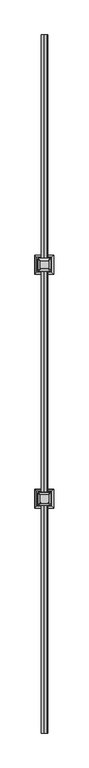
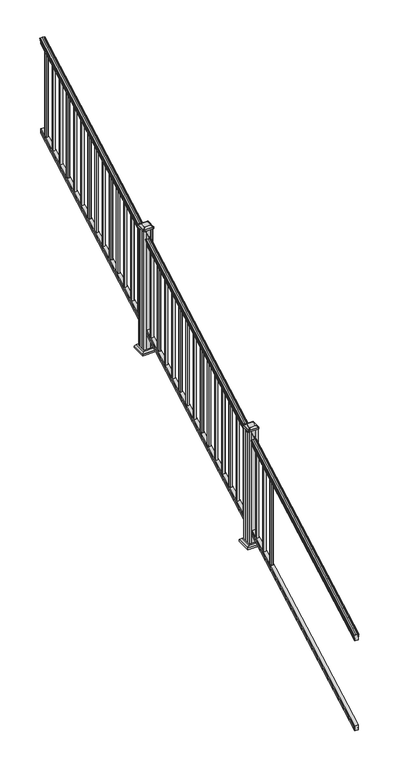
"""IFC4 building model written with IfcOpenShell, lengths in millimetres: railing geometry."""

from ifc_helpers import new_model, si_unit, point, frame, frame_2d, origin, place, context, project, spatial, polyline, circle_curve, ellipse_curve, trimmed, segment, composite_curve, outline, extrude, faceted_brep, source, transform, mapped, element, save
from ifc_brep_helpers import plane_surface, cylinder_surface, revolved_surface, extruded_surface, advanced_brep


def railing_df4a268f(model_context):
    return source(origin(), model_context, "Body", "SolidModel", [
        advanced_brep(
        [(6995.9614371, 1778.9805319, 1111.1933), (6998.5352659, 1778.9805319, 1111.1933), (6998.5352659, 1778.9805319, 1099.0017677), (6997.5192659, 1778.9805319, 1097.8395054), (6997.5192659, 1778.9805319, 1083.7333333), (7029.2692659, 1778.9805319, 1083.7333333), (7029.2692659, 1778.9805319, 1098.0200397), (7028.2532659, 1778.9805319, 1099.182302), (7028.2532659, 1778.9805319, 1111.1933), (7030.8270946, 1778.9805319, 1111.1933), (7030.8270946, 1778.9805319, 1113.3531886), (7031.9572809, 1778.9805319, 1115.140347), (7031.9572809, 1778.9805319, 1123.3974153), (7031.3080245, 1778.9805319, 1126.1811654), (7033.8080245, 1778.9805319, 1131.1346527), (7035.217367, 1778.9805319, 1133.0560334), (7035.619266, 1778.9805319, 1134.3198045), (7035.6192659, 1778.9805319, 1135.8530343), (7034.0658186, 1778.9805319, 1137.6301141), (7013.3942659, 1778.9805319, 1137.6301141), (6992.7227131, 1778.9805319, 1137.6301141), (6991.1692659, 1778.9805319, 1135.8530343), (6991.1692659, 1778.9805319, 1134.3198045), (6991.5711648, 1778.9805319, 1133.0560334), (6992.9805072, 1778.9805319, 1131.1346527), (6995.4805072, 1778.9805319, 1126.1811654), (6994.8312508, 1778.9805319, 1123.3974153), (6994.8312508, 1778.9805319, 1115.140347), (6995.9614371, 1778.9805319, 1113.3531886), (6995.9614371, 6655.7805319, 3820.5266334), (6995.9614371, 6655.7805319, 3822.6865219), (6994.8312508, 6655.7805319, 3824.4736803), (6994.8312508, 6655.7805319, 3832.7307486), (6995.4805072, 6655.7805319, 3835.5144987), (6992.9805072, 6655.7805319, 3840.4679861), (6991.5711648, 6655.7805319, 3842.3893668), (6991.1692658, 6655.7805319, 3843.6531378), (6991.1692659, 6655.7805319, 3845.1863676), (6992.7227131, 6655.7805319, 3846.9634474), (7013.3942659, 6655.7805319, 3846.9634474), (7034.0658186, 6655.7805319, 3846.9634474), (7035.6192659, 6655.7805319, 3845.1863676), (7035.6192659, 6655.7805319, 3843.6531378), (7035.217367, 6655.7805319, 3842.3893668), (7033.8080245, 6655.7805319, 3840.4679861), (7031.3080245, 6655.7805319, 3835.5144987), (7031.9572809, 6655.7805319, 3832.7307486), (7031.9572809, 6655.7805319, 3824.4736803), (7030.8270946, 6655.7805319, 3822.6865219), (7030.8270946, 6655.7805319, 3820.5266334), (7028.2532659, 6655.7805319, 3820.5266334), (7028.2532659, 6655.7805319, 3808.5156353), (7029.2692659, 6655.7805319, 3807.3533731), (7029.2692659, 6655.7805319, 3793.0666667), (6997.5192659, 6655.7805319, 3793.0666667), (6997.5192659, 6655.7805319, 3807.1728388), (6998.5352659, 6655.7805319, 3808.335101), (6998.5352659, 6655.7805319, 3820.5266334)],
        [
            (0, 1, ellipse_curve(frame((6997.2483515, 1778.9805319, 1111.1933), z_axis=(0.0, -1.0, 0.0), x_axis=(0.0, 0.0, -1.0)), 1.4721772, 1.2869144)),
            (1, 2),
            (2, 3),
            (3, 4),
            (4, 5),
            (5, 6),
            (6, 7),
            (7, 8),
            (8, 9, ellipse_curve(frame((7029.5401802, 1778.9805319, 1111.1933), z_axis=(0.0, -1.0, 0.0), x_axis=(0.0, 0.0, -1.0)), 1.4721772, 1.2869144)),
            (9, 10),
            (10, 11, ellipse_curve(frame((7024.5123413, 1778.9805319, 1119.9403628), z_axis=(0.0, -1.0, 0.0), x_axis=(0.0, 0.0, -1.0)), 9.7762168, 8.545951)),
            (11, 12, ellipse_curve(frame((7024.9494043, 1778.9805319, 1119.2688811), z_axis=(0.0, -1.0, 0.0), x_axis=(0.0, 0.0, -1.0)), 9.0173521, 7.882584)),
            (12, 13, ellipse_curve(frame((7035.4627284, 1778.9805319, 1125.9582895), z_axis=(0.0, 1.0, 0.0), x_axis=(0.0, 0.0, 1.0)), 4.7580334, 4.1592695)),
            (13, 14, ellipse_curve(frame((7036.750035, 1778.9805319, 1125.8892329), z_axis=(0.0, 1.0, 0.0), x_axis=(0.0, 0.0, 1.0)), 6.2322774, 5.4479907)),
            (14, 15, ellipse_curve(frame((7035.5168765, 1778.9805319, 1131.1314345), z_axis=(0.0, 1.0, 0.0), x_axis=(0.0, 0.0, 1.0)), 1.9548591, 1.7088543)),
            (15, 16, ellipse_curve(frame((7033.8999764, 1778.9805319, 1134.3198045), z_axis=(0.0, -1.0, 0.0), x_axis=(0.0, 0.0, -1.0)), 1.9667965, 1.7192895)),
            (16, 17),
            (17, 18, ellipse_curve(frame((7034.0658186, 1778.9805319, 1135.8530343), z_axis=(0.0, -1.0, 0.0), x_axis=(0.0, 0.0, -1.0)), 1.7770798, 1.5534472)),
            (18, 19),
            (19, 20),
            (20, 21, ellipse_curve(frame((6992.7227131, 1778.9805319, 1135.8530343), z_axis=(0.0, -1.0, 0.0), x_axis=(0.0, 0.0, -1.0)), 1.7770798, 1.5534472)),
            (21, 22),
            (22, 23, ellipse_curve(frame((6992.8885553, 1778.9805319, 1134.3198045), z_axis=(0.0, -1.0, 0.0), x_axis=(0.0, 0.0, -1.0)), 1.9667965, 1.7192895)),
            (23, 24, ellipse_curve(frame((6991.2716552, 1778.9805319, 1131.1314345), z_axis=(0.0, 1.0, 0.0), x_axis=(0.0, 0.0, 1.0)), 1.9548591, 1.7088543)),
            (24, 25, ellipse_curve(frame((6990.0384968, 1778.9805319, 1125.8892329), z_axis=(0.0, 1.0, 0.0), x_axis=(0.0, 0.0, 1.0)), 6.2322774, 5.4479907)),
            (25, 26, ellipse_curve(frame((6991.3258033, 1778.9805319, 1125.9582895), z_axis=(0.0, 1.0, 0.0), x_axis=(0.0, 0.0, 1.0)), 4.7580334, 4.1592695)),
            (26, 27, ellipse_curve(frame((7001.8391275, 1778.9805319, 1119.2688811), z_axis=(0.0, -1.0, 0.0), x_axis=(0.0, 0.0, -1.0)), 9.0173521, 7.882584)),
            (27, 28, ellipse_curve(frame((7002.2761904, 1778.9805319, 1119.9403628), z_axis=(0.0, -1.0, 0.0), x_axis=(0.0, 0.0, -1.0)), 9.7762168, 8.545951)),
            (28, 0),
            (29, 30),
            (30, 31, ellipse_curve(frame((7002.2761904, 6655.7805319, 3829.2736961), z_axis=(0.0, 1.0, 0.0), x_axis=(0.0, 0.0, -1.0)), 9.7762168, 8.545951)),
            (31, 32, ellipse_curve(frame((7001.8391275, 6655.7805319, 3828.6022145), z_axis=(0.0, 1.0, 0.0), x_axis=(0.0, 0.0, -1.0)), 9.0173521, 7.882584)),
            (32, 33, ellipse_curve(frame((6991.3258033, 6655.7805319, 3835.2916228), z_axis=(0.0, -1.0, 0.0), x_axis=(0.0, 0.0, 1.0)), 4.7580334, 4.1592695)),
            (33, 34, ellipse_curve(frame((6990.0384968, 6655.7805319, 3835.2225663), z_axis=(0.0, -1.0, 0.0), x_axis=(0.0, 0.0, 1.0)), 6.2322774, 5.4479907)),
            (34, 35, ellipse_curve(frame((6991.2716552, 6655.7805319, 3840.4647678), z_axis=(0.0, -1.0, 0.0), x_axis=(0.0, 0.0, 1.0)), 1.9548591, 1.7088543)),
            (35, 36, ellipse_curve(frame((6992.8885553, 6655.7805319, 3843.6531378), z_axis=(0.0, 1.0, 0.0), x_axis=(0.0, 0.0, -1.0)), 1.9667965, 1.7192895)),
            (36, 37),
            (37, 38, ellipse_curve(frame((6992.7227131, 6655.7805319, 3845.1863676), z_axis=(0.0, 1.0, 0.0), x_axis=(0.0, 0.0, -1.0)), 1.7770798, 1.5534472)),
            (38, 39),
            (39, 40),
            (40, 41, ellipse_curve(frame((7034.0658186, 6655.7805319, 3845.1863676), z_axis=(0.0, 1.0, 0.0), x_axis=(0.0, 0.0, -1.0)), 1.7770798, 1.5534472)),
            (41, 42),
            (42, 43, ellipse_curve(frame((7033.8999764, 6655.7805319, 3843.6531378), z_axis=(0.0, 1.0, 0.0), x_axis=(0.0, 0.0, -1.0)), 1.9667965, 1.7192895)),
            (43, 44, ellipse_curve(frame((7035.5168765, 6655.7805319, 3840.4647678), z_axis=(0.0, -1.0, 0.0), x_axis=(0.0, 0.0, 1.0)), 1.9548591, 1.7088543)),
            (44, 45, ellipse_curve(frame((7036.750035, 6655.7805319, 3835.2225663), z_axis=(0.0, -1.0, 0.0), x_axis=(0.0, 0.0, 1.0)), 6.2322774, 5.4479907)),
            (45, 46, ellipse_curve(frame((7035.4627284, 6655.7805319, 3835.2916228), z_axis=(0.0, -1.0, 0.0), x_axis=(0.0, 0.0, 1.0)), 4.7580334, 4.1592695)),
            (46, 47, ellipse_curve(frame((7024.9494043, 6655.7805319, 3828.6022145), z_axis=(0.0, 1.0, 0.0), x_axis=(0.0, 0.0, -1.0)), 9.0173521, 7.882584)),
            (47, 48, ellipse_curve(frame((7024.5123413, 6655.7805319, 3829.2736961), z_axis=(0.0, 1.0, 0.0), x_axis=(0.0, 0.0, -1.0)), 9.7762168, 8.545951)),
            (48, 49),
            (49, 50, ellipse_curve(frame((7029.5401802, 6655.7805319, 3820.5266334), z_axis=(0.0, 1.0, 0.0), x_axis=(0.0, 0.0, -1.0)), 1.4721772, 1.2869144)),
            (50, 51),
            (51, 52),
            (52, 53),
            (53, 54),
            (54, 55),
            (55, 56),
            (56, 57),
            (57, 29, ellipse_curve(frame((6997.2483515, 6655.7805319, 3820.5266334), z_axis=(0.0, 1.0, 0.0), x_axis=(0.0, 0.0, -1.0)), 1.4721772, 1.2869144)),
            (0, 29),
            (57, 1),
            (56, 2),
            (55, 3),
            (54, 4),
            (53, 5),
            (52, 6),
            (51, 7),
            (50, 8),
            (49, 9),
            (48, 10),
            (47, 11),
            (46, 12),
            (45, 13),
            (44, 14),
            (43, 15),
            (42, 16),
            (41, 17),
            (40, 18),
            (39, 19),
            (38, 20),
            (37, 21),
            (36, 22),
            (35, 23),
            (34, 24),
            (33, 25),
            (32, 26),
            (31, 27),
            (30, 28),
        ],
        [
            plane_surface(frame((7013.3942659, 1778.9805319, 1083.7333333), z_axis=(0.0, -1.0, 0.0), x_axis=(0.0, 0.0, 1.0))),
            plane_surface(frame((7013.3942659, 6655.7805319, 3793.0666667), z_axis=(0.0, 1.0, 0.0), x_axis=(0.0, 0.0, 1.0))),
            cylinder_surface(frame((6997.2483515, 1767.3229989, 1104.7168928), z_axis=(0.0, -0.8741572761215699, -0.4856429311785742), x_axis=(1.0, 0.0, 0.0)), 1.2869144),
            plane_surface(frame((6998.5352659, 1778.9805319, 1111.1933), z_axis=(-1.0, 0.0, 0.0), x_axis=(0.0, 0.87415727612157, 0.4856429311785742))),
            plane_surface(frame((6998.5352659, 1778.9805319, 1099.0017677), z_axis=(-0.7071067811865404, -0.34340140987168444, 0.6181225377691303), x_axis=(0.0, 0.87415727612157, 0.4856429311785743))),
            plane_surface(frame((6997.5192659, 1778.9805319, 1097.8395054), z_axis=(-1.0000000000000002, 0.0, 0.0), x_axis=(0.0, 0.8741572761215699, 0.4856429311785744))),
            plane_surface(frame((6997.5192659, 1778.9805319, 1083.7333333), z_axis=(0.0, 0.4856429311785743, -0.87415727612157), x_axis=(0.0, 0.87415727612157, 0.4856429311785743))),
            plane_surface(frame((7029.2692659, 1778.9805319, 1083.7333333), z_axis=(1.0000000000000002, 0.0, 0.0), x_axis=(0.0, 0.87415727612157, 0.4856429311785743))),
            plane_surface(frame((7029.2692659, 1778.9805319, 1098.0200397), z_axis=(0.7071067811865428, -0.34340140987168494, 0.6181225377691273), x_axis=(0.0, 0.87415727612157, 0.4856429311785743))),
            plane_surface(frame((7028.2532659, 1778.9805319, 1099.182302), z_axis=(1.0000000000000002, 0.0, 0.0), x_axis=(0.0, 0.87415727612157, 0.4856429311785743))),
            cylinder_surface(frame((7029.5401802, 1767.3229989, 1104.7168928), z_axis=(0.0, -0.8741572761215699, -0.4856429311785742), x_axis=(-1.0, 0.0, 0.0)), 1.2869144),
            plane_surface(frame((7030.8270946, 1778.9805319, 1111.1933), z_axis=(1.0000000000000002, 0.0, 0.0), x_axis=(0.0, 0.87415727612157, 0.4856429311785743))),
            cylinder_surface(frame((7024.5123413, 1763.6096232, 1111.4009691), z_axis=(0.0, -0.8741572761215699, -0.4856429311785742), x_axis=(-1.0, 0.0, 0.0)), 8.545951),
            cylinder_surface(frame((7024.9494043, 1763.8946861, 1110.8878557), z_axis=(0.0, -0.8741572761215699, -0.4856429311785742), x_axis=(-1.0, 0.0, 0.0)), 7.882584),
            revolved_surface(polyline([(7031.3034589, 6657.80045174452, 3836.413800479864), (7031.3034589, 1776.9606120792462, 1124.8361117773575)]), (7035.4627284, 1761.054843, 1115.9995734), (0.0, 0.8741572761215699, 0.4856429311785742)),
            revolved_surface(polyline([(7031.3020443, 6658.426310041689, 3836.6924430449585), (7031.3020443, 1776.3347537301895, 1124.4193562056596)]), (7036.750035, 1761.0841594, 1115.9468038), (0.0, 0.8741572761215699, 0.4856429311785742)),
            revolved_surface(polyline([(7033.8080222, 6656.610424923765, 3840.925819457223), (7033.8080222, 1778.1506389094347, 1130.6703827830177)]), (7035.5168765, 1758.8586965, 1119.952637), (0.0, 0.8741572761215699, 0.4856429311785742)),
            cylinder_surface(frame((7033.8999764, 1757.5051432, 1122.389033), z_axis=(0.0, -0.8741572761215699, -0.4856429311785742), x_axis=(-1.0, 0.0, 0.0)), 1.7192895),
            plane_surface(frame((7035.6192659, 1778.9805319, 1134.3198045), z_axis=(1.0000000000000002, 0.0, 0.0), x_axis=(0.0, 0.8741572761215699, 0.4856429311785744))),
            cylinder_surface(frame((7034.0658186, 1756.8542438, 1123.560652), z_axis=(0.0, -0.8741572761215699, -0.4856429311785742), x_axis=(-1.0, 0.0, 0.0)), 1.5534472),
            plane_surface(frame((7034.0658186, 1778.9805319, 1137.6301141), z_axis=(0.0, -0.4856429311785743, 0.87415727612157), x_axis=(0.0, 0.87415727612157, 0.4856429311785743))),
            plane_surface(frame((7013.3942659, 1778.9805319, 1137.6301141), z_axis=(0.0, -0.4856429311785742, 0.87415727612157), x_axis=(0.0, 0.87415727612157, 0.4856429311785742))),
            cylinder_surface(frame((6992.7227131, 1756.8542438, 1123.560652), z_axis=(0.0, -0.8741572761215699, -0.4856429311785742), x_axis=(1.0, 0.0, 0.0)), 1.5534472),
            plane_surface(frame((6991.1692659, 1778.9805319, 1135.8530343), z_axis=(-1.0000000000000002, 0.0, 0.0), x_axis=(0.0, 0.8741572761215699, 0.4856429311785744))),
            cylinder_surface(frame((6992.8885553, 1757.5051432, 1122.389033), z_axis=(0.0, -0.8741572761215699, -0.4856429311785742), x_axis=(1.0, 0.0, 0.0)), 1.7192895),
            revolved_surface(polyline([(6992.9805095, 6656.610424923765, 3840.925819457223), (6992.9805095, 1778.1506389094347, 1130.6703827830177)]), (6991.2716552, 1758.8586965, 1119.952637), (0.0, 0.8741572761215699, 0.4856429311785742)),
            revolved_surface(polyline([(6995.4864875, 6658.426310041689, 3836.6924430449585), (6995.4864875, 1776.3347537301895, 1124.4193562056596)]), (6990.0384968, 1761.0841594, 1115.9468038), (0.0, 0.8741572761215699, 0.4856429311785742)),
            revolved_surface(polyline([(6995.4850728, 6657.80045174452, 3836.413800479864), (6995.4850728, 1776.9606120792462, 1124.8361117773575)]), (6991.3258033, 1761.054843, 1115.9995734), (0.0, 0.8741572761215699, 0.4856429311785742)),
            cylinder_surface(frame((7001.8391275, 1763.8946861, 1110.8878557), z_axis=(0.0, -0.8741572761215699, -0.4856429311785742), x_axis=(1.0, 0.0, 0.0)), 7.882584),
            cylinder_surface(frame((7002.2761904, 1763.6096232, 1111.4009691), z_axis=(0.0, -0.8741572761215699, -0.4856429311785742), x_axis=(1.0, 0.0, 0.0)), 8.545951),
            plane_surface(frame((6995.9614371, 1778.9805319, 1113.3531886), z_axis=(-1.0000000000000002, 0.0, 0.0), x_axis=(0.0, 0.8741572761215699, 0.4856429311785744))),
        ],
        [
            (0, [[1, 2, 3, 4, 5, 6, 7, 8, 9, 10, 11, 12, 13, 14, 15, 16, 17, 18, 19, 20, 21, 22, 23, 24, 25, 26, 27, 28, 29]]),
            (1, [[30, 31, 32, 33, 34, 35, 36, 37, 38, 39, 40, 41, 42, 43, 44, 45, 46, 47, 48, 49, 50, 51, 52, 53, 54, 55, 56, 57, 58]]),
            (2, [[-1, 59, -58, 60]]),
            (3, [[-2, -60, -57, 61]]),
            (4, [[-3, -61, -56, 62]]),
            (5, [[-4, -62, -55, 63]]),
            (6, [[-5, -63, -54, 64]]),
            (7, [[-6, -64, -53, 65]]),
            (8, [[-7, -65, -52, 66]]),
            (9, [[-8, -66, -51, 67]]),
            (10, [[-9, -67, -50, 68]]),
            (11, [[-10, -68, -49, 69]]),
            (12, [[-11, -69, -48, 70]]),
            (13, [[-12, -70, -47, 71]]),
            (14, [[-13, -71, -46, 72]]),
            (15, [[-14, -72, -45, 73]]),
            (16, [[-15, -73, -44, 74]]),
            (17, [[-16, -74, -43, 75]]),
            (18, [[-17, -75, -42, 76]]),
            (19, [[-18, -76, -41, 77]]),
            (20, [[-19, -77, -40, 78]]),
            (21, [[-20, -78, -39, 79]]),
            (22, [[-21, -79, -38, 80]]),
            (23, [[-22, -80, -37, 81]]),
            (24, [[-23, -81, -36, 82]]),
            (25, [[-24, -82, -35, 83]]),
            (26, [[-25, -83, -34, 84]]),
            (27, [[-26, -84, -33, 85]]),
            (28, [[-27, -85, -32, 86]]),
            (29, [[-28, -86, -31, 87]]),
            (30, [[-29, -87, -30, -59]]),
        ],
    ),
        faceted_brep([(6997.481779, 1778.9805319, 247.1948195), (6997.481779, 1778.9805319, 232.8333333), (7029.231779, 1778.9805319, 232.8333333), (7029.231779, 1778.9805319, 247.1757762), (7028.215779, 1778.9805319, 248.7181503), (7028.215779, 1778.9805319, 260.5143074), (7029.231779, 1778.9805319, 262.0566814), (7029.231779, 1778.9805319, 276.4134523), (6997.481779, 1778.9805319, 276.4134523), (6997.481779, 1778.9805319, 262.0757247), (6998.497779, 1778.9805319, 260.5333506), (6998.497779, 1778.9805319, 248.6824473), (6997.481779, 6655.7805319, 2956.5281528), (6998.497779, 6655.7805319, 2958.0157807), (6998.497779, 6655.7805319, 2969.8666839), (6997.481779, 6655.7805319, 2971.409058), (6997.481779, 6655.7805319, 2985.7467856), (7029.231779, 6655.7805319, 2985.7467856), (7029.231779, 6655.7805319, 2971.3900148), (7028.215779, 6655.7805319, 2969.8476407), (7028.215779, 6655.7805319, 2958.0514837), (7029.231779, 6655.7805319, 2956.5091096), (7029.231779, 6655.7805319, 2942.1666667), (6997.481779, 6655.7805319, 2942.1666667)], [[[0, 1, 2, 3, 4, 5, 6, 7, 8, 9, 10, 11]], [[12, 13, 14, 15, 16, 17, 18, 19, 20, 21, 22, 23]], [[1, 0, 12, 23]], [[2, 1, 23, 22]], [[3, 2, 22, 21]], [[4, 3, 21, 20]], [[5, 4, 20, 19]], [[6, 5, 19, 18]], [[7, 6, 18, 17]], [[8, 7, 17, 16]], [[9, 8, 16, 15]], [[10, 9, 15, 14]], [[11, 10, 14, 13]], [[0, 11, 13, 12]]]),
        extrude(outline(polyline([(7003.8692659, 6580.5727194), (7003.8692659, 6599.6227194), (7022.9192659, 6599.6227194), (7022.9192659, 6580.5727194), (7003.8692659, 6580.5727194)]), holes=[polyline([(7004.2661409, 6580.9695944), (7022.5223909, 6580.9695944), (7022.5223909, 6599.2258444), (7004.2661409, 6599.2258444), (7004.2661409, 6580.9695944)])]), frame((0.0, 0.0, 2943.7720933), z_axis=(0.0, 0.0, 1.0), x_axis=(1.0, 0.0, 0.0)), (0.0, 0.0, 1.0), 812.8041219),
        extrude(outline(polyline([(7003.8692659, 6469.4477194), (7003.8692659, 6488.4977194), (7022.9192659, 6488.4977194), (7022.9192659, 6469.4477194), (7003.8692659, 6469.4477194)]), holes=[polyline([(7004.2661409, 6469.8445944), (7022.5223909, 6469.8445944), (7022.5223909, 6488.1008444), (7004.2661409, 6488.1008444), (7004.2661409, 6469.8445944)])]), frame((0.0, 0.0, 2882.0359822), z_axis=(0.0, 0.0, 1.0), x_axis=(1.0, 0.0, 0.0)), (0.0, 0.0, 1.0), 812.8041219),
        extrude(outline(polyline([(7003.8692659, 6358.3227194), (7003.8692659, 6377.3727194), (7022.9192659, 6377.3727194), (7022.9192659, 6358.3227194), (7003.8692659, 6358.3227194)]), holes=[polyline([(7004.2661409, 6358.7195944), (7022.5223909, 6358.7195944), (7022.5223909, 6376.9758444), (7004.2661409, 6376.9758444), (7004.2661409, 6358.7195944)])]), frame((0.0, 0.0, 2820.2998711), z_axis=(0.0, 0.0, 1.0), x_axis=(1.0, 0.0, 0.0)), (0.0, 0.0, 1.0), 812.8041219),
        extrude(outline(polyline([(7003.8692659, 6247.1977194), (7003.8692659, 6266.2477194), (7022.9192659, 6266.2477194), (7022.9192659, 6247.1977194), (7003.8692659, 6247.1977194)]), holes=[polyline([(7004.2661409, 6247.5945944), (7022.5223909, 6247.5945944), (7022.5223909, 6265.8508444), (7004.2661409, 6265.8508444), (7004.2661409, 6247.5945944)])]), frame((0.0, 0.0, 2758.56376), z_axis=(0.0, 0.0, 1.0), x_axis=(1.0, 0.0, 0.0)), (0.0, 0.0, 1.0), 812.8041219),
        extrude(outline(polyline([(7003.8692659, 6136.0727194), (7003.8692659, 6155.1227194), (7022.9192659, 6155.1227194), (7022.9192659, 6136.0727194), (7003.8692659, 6136.0727194)]), holes=[polyline([(7004.2661409, 6136.4695944), (7022.5223909, 6136.4695944), (7022.5223909, 6154.7258444), (7004.2661409, 6154.7258444), (7004.2661409, 6136.4695944)])]), frame((0.0, 0.0, 2696.8276489), z_axis=(0.0, 0.0, 1.0), x_axis=(1.0, 0.0, 0.0)), (0.0, 0.0, 1.0), 812.8041219),
        extrude(outline(polyline([(7003.8692659, 6024.9477194), (7003.8692659, 6043.9977194), (7022.9192659, 6043.9977194), (7022.9192659, 6024.9477194), (7003.8692659, 6024.9477194)]), holes=[polyline([(7004.2661409, 6025.3445944), (7022.5223909, 6025.3445944), (7022.5223909, 6043.6008444), (7004.2661409, 6043.6008444), (7004.2661409, 6025.3445944)])]), frame((0.0, 0.0, 2635.0915378), z_axis=(0.0, 0.0, 1.0), x_axis=(1.0, 0.0, 0.0)), (0.0, 0.0, 1.0), 812.8041219),
        extrude(outline(polyline([(7003.8692659, 5913.8227194), (7003.8692659, 5932.8727194), (7022.9192659, 5932.8727194), (7022.9192659, 5913.8227194), (7003.8692659, 5913.8227194)]), holes=[polyline([(7004.2661409, 5914.2195944), (7022.5223909, 5914.2195944), (7022.5223909, 5932.4758444), (7004.2661409, 5932.4758444), (7004.2661409, 5914.2195944)])]), frame((0.0, 0.0, 2573.3554267), z_axis=(0.0, 0.0, 1.0), x_axis=(1.0, 0.0, 0.0)), (0.0, 0.0, 1.0), 812.8041219),
        extrude(outline(polyline([(7003.8692659, 5802.6977194), (7003.8692659, 5821.7477194), (7022.9192659, 5821.7477194), (7022.9192659, 5802.6977194), (7003.8692659, 5802.6977194)]), holes=[polyline([(7004.2661409, 5803.0945944), (7022.5223909, 5803.0945944), (7022.5223909, 5821.3508444), (7004.2661409, 5821.3508444), (7004.2661409, 5803.0945944)])]), frame((0.0, 0.0, 2511.6193156), z_axis=(0.0, 0.0, 1.0), x_axis=(1.0, 0.0, 0.0)), (0.0, 0.0, 1.0), 812.8041219),
        extrude(outline(polyline([(7003.8692659, 5691.5727194), (7003.8692659, 5710.6227194), (7022.9192659, 5710.6227194), (7022.9192659, 5691.5727194), (7003.8692659, 5691.5727194)]), holes=[polyline([(7004.2661409, 5691.9695944), (7022.5223909, 5691.9695944), (7022.5223909, 5710.2258444), (7004.2661409, 5710.2258444), (7004.2661409, 5691.9695944)])]), frame((0.0, 0.0, 2449.8832045), z_axis=(0.0, 0.0, 1.0), x_axis=(1.0, 0.0, 0.0)), (0.0, 0.0, 1.0), 812.8041219),
        extrude(outline(polyline([(7003.8692659, 5580.4477194), (7003.8692659, 5599.4977194), (7022.9192659, 5599.4977194), (7022.9192659, 5580.4477194), (7003.8692659, 5580.4477194)]), holes=[polyline([(7004.2661409, 5580.8445944), (7022.5223909, 5580.8445944), (7022.5223909, 5599.1008444), (7004.2661409, 5599.1008444), (7004.2661409, 5580.8445944)])]), frame((0.0, 0.0, 2388.1470933), z_axis=(0.0, 0.0, 1.0), x_axis=(1.0, 0.0, 0.0)), (0.0, 0.0, 1.0), 812.8041219),
        extrude(outline(polyline([(7003.8692659, 5469.3227194), (7003.8692659, 5488.3727194), (7022.9192659, 5488.3727194), (7022.9192659, 5469.3227194), (7003.8692659, 5469.3227194)]), holes=[polyline([(7004.2661409, 5469.7195944), (7022.5223909, 5469.7195944), (7022.5223909, 5487.9758444), (7004.2661409, 5487.9758444), (7004.2661409, 5469.7195944)])]), frame((0.0, 0.0, 2326.4109822), z_axis=(0.0, 0.0, 1.0), x_axis=(1.0, 0.0, 0.0)), (0.0, 0.0, 1.0), 812.8041219),
        extrude(outline(polyline([(7003.8692659, 5358.1977194), (7003.8692659, 5377.2477194), (7022.9192659, 5377.2477194), (7022.9192659, 5358.1977194), (7003.8692659, 5358.1977194)]), holes=[polyline([(7004.2661409, 5358.5945944), (7022.5223909, 5358.5945944), (7022.5223909, 5376.8508444), (7004.2661409, 5376.8508444), (7004.2661409, 5358.5945944)])]), frame((0.0, 0.0, 2264.6748711), z_axis=(0.0, 0.0, 1.0), x_axis=(1.0, 0.0, 0.0)), (0.0, 0.0, 1.0), 812.8041219),
        extrude(outline(polyline([(7003.8692659, 5247.0727194), (7003.8692659, 5266.1227194), (7022.9192659, 5266.1227194), (7022.9192659, 5247.0727194), (7003.8692659, 5247.0727194)]), holes=[polyline([(7004.2661409, 5247.4695944), (7022.5223909, 5247.4695944), (7022.5223909, 5265.7258444), (7004.2661409, 5265.7258444), (7004.2661409, 5247.4695944)])]), frame((0.0, 0.0, 2202.93876), z_axis=(0.0, 0.0, 1.0), x_axis=(1.0, 0.0, 0.0)), (0.0, 0.0, 1.0), 812.8041219),
        extrude(outline(polyline([(7003.8692659, 5135.9477194), (7003.8692659, 5154.9977194), (7022.9192659, 5154.9977194), (7022.9192659, 5135.9477194), (7003.8692659, 5135.9477194)]), holes=[polyline([(7004.2661409, 5136.3445944), (7022.5223909, 5136.3445944), (7022.5223909, 5154.6008444), (7004.2661409, 5154.6008444), (7004.2661409, 5136.3445944)])]), frame((0.0, 0.0, 2141.2026489), z_axis=(0.0, 0.0, 1.0), x_axis=(1.0, 0.0, 0.0)), (0.0, 0.0, 1.0), 812.8041219),
        faceted_brep([(6960.8083284, 4997.4383444, 1891.2416667), (7065.9802034, 4997.4383444, 1891.2416667), (7065.9802034, 5102.6102194, 1891.2416667), (6960.8083284, 5102.6102194, 1891.2416667), (6946.7688753, 4983.3988913, 1877.9066667), (6946.7688753, 5116.6496725, 1877.9066667), (7080.0196565, 5116.6496725, 1877.9066667), (7080.0196565, 4983.3988913, 1877.9066667)], [[[0, 1, 2, 3]], [[4, 5, 6, 7]], [[4, 7, 1, 0]], [[7, 6, 2, 1]], [[6, 5, 3, 2]], [[5, 4, 0, 3]]]),
        extrude(outline(polyline([(6946.7688753, 4983.3988913), (6946.7688753, 5116.6496725), (7080.0196565, 5116.6496725), (7080.0196565, 4983.3988913), (6946.7688753, 4983.3988913)])), frame((0.0, 0.0, 1862.6666667), z_axis=(0.0, 0.0, 1.0), x_axis=(1.0, 0.0, 0.0)), (0.0, 0.0, 1.0), 15.24),
        advanced_brep(
        [(7039.1911409, 5021.0524069, 3046.5191241), (7042.3661409, 5024.2274069, 3046.5191241), (7042.3661409, 5075.8211569, 3046.5191241), (7039.1911409, 5078.9961569, 3046.5191241), (6987.5973909, 5078.9961569, 3046.5191241), (6984.4223909, 5075.8211569, 3046.5191241), (6984.4223909, 5024.2274069, 3046.5191241), (6987.5973909, 5021.0524069, 3046.5191241), (7055.4630159, 5004.7805319, 3035.2161241), (6971.3255159, 5004.7805319, 3035.2161241), (6968.1505159, 5007.9555319, 3035.2161241), (6968.1505159, 5092.0930319, 3035.2161241), (6971.3255159, 5095.2680319, 3035.2161241), (7055.4630159, 5095.2680319, 3035.2161241), (7058.6380159, 5092.0930319, 3035.2161241), (7058.6380159, 5007.9555319, 3035.2161241)],
        [
            (0, 1, circle_curve(frame((7039.1911409, 5024.2274069, 3046.5191241), z_axis=(0.0, 0.0, 1.0), x_axis=(0.0, 1.0, 0.0)), 3.175)),
            (1, 2),
            (2, 3, circle_curve(frame((7039.1911409, 5075.8211569, 3046.5191241), z_axis=(0.0, 0.0, 1.0), x_axis=(0.0, 1.0, 0.0)), 3.175)),
            (3, 4),
            (4, 5, circle_curve(frame((6987.5973909, 5075.8211569, 3046.5191241), z_axis=(0.0, 0.0, 1.0), x_axis=(0.0, 1.0, 0.0)), 3.175)),
            (5, 6),
            (6, 7, circle_curve(frame((6987.5973909, 5024.2274069, 3046.5191241), z_axis=(0.0, 0.0, 1.0), x_axis=(0.0, 1.0, 0.0)), 3.175)),
            (7, 0),
            (8, 9),
            (9, 10, circle_curve(frame((6971.3255159, 5007.9555319, 3035.2161241), z_axis=(0.0, 0.0, -1.0), x_axis=(0.0, 1.0, 0.0)), 3.175)),
            (10, 11),
            (11, 12, circle_curve(frame((6971.3255159, 5092.0930319, 3035.2161241), z_axis=(0.0, 0.0, -1.0), x_axis=(0.0, 1.0, 0.0)), 3.175)),
            (12, 13),
            (13, 14, circle_curve(frame((7055.4630159, 5092.0930319, 3035.2161241), z_axis=(0.0, 0.0, -1.0), x_axis=(0.0, 1.0, 0.0)), 3.175)),
            (14, 15),
            (15, 8, circle_curve(frame((7055.4630159, 5007.9555319, 3035.2161241), z_axis=(0.0, 0.0, -1.0), x_axis=(0.0, 1.0, 0.0)), 3.175)),
            (15, 1),
            (0, 8),
            (14, 2),
            (13, 3),
            (12, 4),
            (11, 5),
            (10, 6),
            (9, 7),
        ],
        [
            plane_surface(frame((7013.3942659, 5050.0242819, 3046.5191241), z_axis=(0.0, 0.0, 1.0), x_axis=(1.0, 0.0, 0.0))),
            plane_surface(frame((7013.3942659, 5050.0242819, 3035.2161241), z_axis=(0.0, 0.0, -1.0), x_axis=(1.0, 0.0, 0.0))),
            extruded_surface(trimmed(circle_curve(frame((7055.4630159, 5007.9555319, 3035.2161241), z_axis=(0.0, 0.0, 1.0), x_axis=(0.0, 1.0, 0.0)), 3.175), [point((7055.4630159, 5004.7805319, 3035.2161241))], [point((7058.6380159, 5007.9555319, 3035.2161241))], True, "CARTESIAN"), (-16.271874999999454, 16.271874999999454, 11.303000000000338), 25.63797263886562),
            plane_surface(frame((7058.6380159, 5050.0242819, 3035.2161241), z_axis=(0.5705009161540777, 0.0, 0.8212969649690409), x_axis=(0.0, 1.0, 0.0))),
            extruded_surface(trimmed(circle_curve(frame((7055.4630159, 5092.0930319, 3035.2161241), z_axis=(0.0, 0.0, 1.0), x_axis=(0.0, 1.0, 0.0)), 3.175), [point((7058.6380159, 5092.0930319, 3035.2161241))], [point((7055.4630159, 5095.2680319, 3035.2161241))], True, "CARTESIAN"), (-16.271874999999454, -16.271875000000364, 11.303000000000338), 25.6379726388662),
            plane_surface(frame((7013.3942659, 5095.2680319, 3035.2161241), z_axis=(0.0, 0.5705009161540291, 0.8212969649690747), x_axis=(-1.0, 0.0, 0.0))),
            extruded_surface(trimmed(circle_curve(frame((6971.3255159, 5092.0930319, 3035.2161241), z_axis=(0.0, 0.0, 1.0), x_axis=(0.0, 1.0, 0.0)), 3.175), [point((6971.3255159, 5095.2680319, 3035.2161241))], [point((6968.1505159, 5092.0930319, 3035.2161241))], True, "CARTESIAN"), (16.271875000000364, -16.271875000000364, 11.303000000000338), 25.637972638866774),
            plane_surface(frame((6968.1505159, 5050.0242819, 3035.2161241), z_axis=(-0.5705009161540143, 0.0, 0.821296964969085), x_axis=(0.0, -1.0, 0.0))),
            extruded_surface(trimmed(circle_curve(frame((6971.3255159, 5007.9555319, 3035.2161241), z_axis=(0.0, 0.0, 1.0), x_axis=(0.0, 1.0, 0.0)), 3.175), [point((6968.1505159, 5007.9555319, 3035.2161241))], [point((6971.3255159, 5004.7805319, 3035.2161241))], True, "CARTESIAN"), (16.271875000000364, 16.271874999999454, 11.303000000000338), 25.6379726388662),
            plane_surface(frame((7013.3942659, 5004.7805319, 3035.2161241), z_axis=(0.0, -0.570500916154034, 0.8212969649690713), x_axis=(1.0, 0.0, 0.0))),
        ],
        [
            (0, [[1, 2, 3, 4, 5, 6, 7, 8]]),
            (1, [[9, 10, 11, 12, 13, 14, 15, 16]]),
            (2, [[-16, 17, -1, 18]]),
            (3, [[-15, 19, -2, -17]]),
            (4, [[-14, 20, -3, -19]]),
            (5, [[-13, 21, -4, -20]]),
            (6, [[-12, 22, -5, -21]]),
            (7, [[-11, 23, -6, -22]]),
            (8, [[-10, 24, -7, -23]]),
            (9, [[-9, -18, -8, -24]]),
        ],
    ),
        extrude(outline(composite_curve([segment(polyline([(7055.4630159, 5004.7805319), (6971.3255159, 5004.7805319)]), True, "CONTINUOUS"), segment(trimmed(circle_curve(frame_2d((6971.3255159, 5007.9555319)), 3.175), [point((6971.3255159, 5004.7805319))], [point((6968.1505159, 5007.9555319))], False, "CARTESIAN"), True, "CONTINUOUS"), segment(polyline([(6968.1505159, 5007.9555319), (6968.1505159, 5092.0930319)]), True, "CONTINUOUS"), segment(trimmed(circle_curve(frame_2d((6971.3255159, 5092.0930319)), 3.175), [point((6968.1505159, 5092.0930319))], [point((6971.3255159, 5095.2680319))], False, "CARTESIAN"), True, "CONTINUOUS"), segment(polyline([(6971.3255159, 5095.2680319), (7055.4630159, 5095.2680319)]), True, "CONTINUOUS"), segment(trimmed(circle_curve(frame_2d((7055.4630159, 5092.0930319)), 3.175), [point((7055.4630159, 5095.2680319))], [point((7058.6380159, 5092.0930319))], False, "CARTESIAN"), True, "CONTINUOUS"), segment(polyline([(7058.6380159, 5092.0930319), (7058.6380159, 5007.9555319)]), True, "CONTINUOUS"), segment(trimmed(circle_curve(frame_2d((7055.4630159, 5007.9555319)), 3.175), [point((7058.6380159, 5007.9555319))], [point((7055.4630159, 5004.7805319))], False, "CARTESIAN"), True, "CONTINUOUS")], self_intersect=False)), frame((0.0, 0.0, 3017.9441241), z_axis=(0.0, 0.0, 1.0), x_axis=(1.0, 0.0, 0.0)), (0.0, 0.0, 1.0), 17.272),
        extrude(outline(polyline([(7053.0817659, 5008.7492819), (7033.4602659, 5008.7492819), (7032.6982659, 5010.3367819), (6994.0902659, 5010.3367819), (6993.3282659, 5008.7492819), (6973.7067659, 5008.7492819), (6972.1192659, 5010.3367819), (6972.1192659, 5029.9582819), (6973.7067659, 5030.7202819), (6973.7067659, 5069.3282819), (6972.1192659, 5070.0902819), (6972.1192659, 5089.7117819), (6973.7067659, 5091.2992819), (6993.3282659, 5091.2992819), (6994.0902659, 5089.7117819), (7032.6982659, 5089.7117819), (7033.4602659, 5091.2992819), (7053.0817659, 5091.2992819), (7054.6692659, 5089.7117819), (7054.6692659, 5070.0902819), (7053.0817659, 5069.3282819), (7053.0817659, 5030.7202819), (7054.6692659, 5029.9582819), (7054.6692659, 5010.3367819), (7053.0817659, 5008.7492819)])), frame((0.0, 0.0, 1862.6666667), z_axis=(0.0, 0.0, 1.0), x_axis=(1.0, 0.0, 0.0)), (0.0, 0.0, 1.0), 1155.2774575),
        extrude(outline(polyline([(7003.8692659, 4945.0508444), (7003.8692659, 4964.1008444), (7022.9192659, 4964.1008444), (7022.9192659, 4945.0508444), (7003.8692659, 4945.0508444)]), holes=[polyline([(7004.2661409, 4945.4477194), (7022.5223909, 4945.4477194), (7022.5223909, 4963.7039694), (7004.2661409, 4963.7039694), (7004.2661409, 4945.4477194)])]), frame((0.0, 0.0, 2035.1488295), z_axis=(0.0, 0.0, 1.0), x_axis=(1.0, 0.0, 0.0)), (0.0, 0.0, 1.0), 812.8041219),
        extrude(outline(polyline([(7003.8692659, 4833.9258444), (7003.8692659, 4852.9758444), (7022.9192659, 4852.9758444), (7022.9192659, 4833.9258444), (7003.8692659, 4833.9258444)]), holes=[polyline([(7004.2661409, 4834.3227194), (7022.5223909, 4834.3227194), (7022.5223909, 4852.5789694), (7004.2661409, 4852.5789694), (7004.2661409, 4834.3227194)])]), frame((0.0, 0.0, 1973.4127183), z_axis=(0.0, 0.0, 1.0), x_axis=(1.0, 0.0, 0.0)), (0.0, 0.0, 1.0), 812.8041219),
        extrude(outline(polyline([(7003.8692659, 4722.8008444), (7003.8692659, 4741.8508444), (7022.9192659, 4741.8508444), (7022.9192659, 4722.8008444), (7003.8692659, 4722.8008444)]), holes=[polyline([(7004.2661409, 4723.1977194), (7022.5223909, 4723.1977194), (7022.5223909, 4741.4539694), (7004.2661409, 4741.4539694), (7004.2661409, 4723.1977194)])]), frame((0.0, 0.0, 1911.6766072), z_axis=(0.0, 0.0, 1.0), x_axis=(1.0, 0.0, 0.0)), (0.0, 0.0, 1.0), 812.8041219),
        extrude(outline(polyline([(7003.8692659, 4611.6758444), (7003.8692659, 4630.7258444), (7022.9192659, 4630.7258444), (7022.9192659, 4611.6758444), (7003.8692659, 4611.6758444)]), holes=[polyline([(7004.2661409, 4612.0727194), (7022.5223909, 4612.0727194), (7022.5223909, 4630.3289694), (7004.2661409, 4630.3289694), (7004.2661409, 4612.0727194)])]), frame((0.0, 0.0, 1849.9404961), z_axis=(0.0, 0.0, 1.0), x_axis=(1.0, 0.0, 0.0)), (0.0, 0.0, 1.0), 812.8041219),
        extrude(outline(polyline([(7003.8692659, 4500.5508444), (7003.8692659, 4519.6008444), (7022.9192659, 4519.6008444), (7022.9192659, 4500.5508444), (7003.8692659, 4500.5508444)]), holes=[polyline([(7004.2661409, 4500.9477194), (7022.5223909, 4500.9477194), (7022.5223909, 4519.2039694), (7004.2661409, 4519.2039694), (7004.2661409, 4500.9477194)])]), frame((0.0, 0.0, 1788.204385), z_axis=(0.0, 0.0, 1.0), x_axis=(1.0, 0.0, 0.0)), (0.0, 0.0, 1.0), 812.8041219),
        extrude(outline(polyline([(7003.8692659, 4389.4258444), (7003.8692659, 4408.4758444), (7022.9192659, 4408.4758444), (7022.9192659, 4389.4258444), (7003.8692659, 4389.4258444)]), holes=[polyline([(7004.2661409, 4389.8227194), (7022.5223909, 4389.8227194), (7022.5223909, 4408.0789694), (7004.2661409, 4408.0789694), (7004.2661409, 4389.8227194)])]), frame((0.0, 0.0, 1726.4682739), z_axis=(0.0, 0.0, 1.0), x_axis=(1.0, 0.0, 0.0)), (0.0, 0.0, 1.0), 812.8041219),
        extrude(outline(polyline([(7003.8692659, 4278.3008444), (7003.8692659, 4297.3508444), (7022.9192659, 4297.3508444), (7022.9192659, 4278.3008444), (7003.8692659, 4278.3008444)]), holes=[polyline([(7004.2661409, 4278.6977194), (7022.5223909, 4278.6977194), (7022.5223909, 4296.9539694), (7004.2661409, 4296.9539694), (7004.2661409, 4278.6977194)])]), frame((0.0, 0.0, 1664.7321628), z_axis=(0.0, 0.0, 1.0), x_axis=(1.0, 0.0, 0.0)), (0.0, 0.0, 1.0), 812.8041219),
        extrude(outline(polyline([(7003.8692659, 4167.1758444), (7003.8692659, 4186.2258444), (7022.9192659, 4186.2258444), (7022.9192659, 4167.1758444), (7003.8692659, 4167.1758444)]), holes=[polyline([(7004.2661409, 4167.5727194), (7022.5223909, 4167.5727194), (7022.5223909, 4185.8289694), (7004.2661409, 4185.8289694), (7004.2661409, 4167.5727194)])]), frame((0.0, 0.0, 1602.9960517), z_axis=(0.0, 0.0, 1.0), x_axis=(1.0, 0.0, 0.0)), (0.0, 0.0, 1.0), 812.8041219),
        extrude(outline(polyline([(7003.8692659, 4056.0508444), (7003.8692659, 4075.1008444), (7022.9192659, 4075.1008444), (7022.9192659, 4056.0508444), (7003.8692659, 4056.0508444)]), holes=[polyline([(7004.2661409, 4056.4477194), (7022.5223909, 4056.4477194), (7022.5223909, 4074.7039694), (7004.2661409, 4074.7039694), (7004.2661409, 4056.4477194)])]), frame((0.0, 0.0, 1541.2599406), z_axis=(0.0, 0.0, 1.0), x_axis=(1.0, 0.0, 0.0)), (0.0, 0.0, 1.0), 812.8041219),
        extrude(outline(polyline([(7003.8692659, 3944.9258444), (7003.8692659, 3963.9758444), (7022.9192659, 3963.9758444), (7022.9192659, 3944.9258444), (7003.8692659, 3944.9258444)]), holes=[polyline([(7004.2661409, 3945.3227194), (7022.5223909, 3945.3227194), (7022.5223909, 3963.5789694), (7004.2661409, 3963.5789694), (7004.2661409, 3945.3227194)])]), frame((0.0, 0.0, 1479.5238295), z_axis=(0.0, 0.0, 1.0), x_axis=(1.0, 0.0, 0.0)), (0.0, 0.0, 1.0), 812.8041219),
        extrude(outline(polyline([(7003.8692659, 3833.8008444), (7003.8692659, 3852.8508444), (7022.9192659, 3852.8508444), (7022.9192659, 3833.8008444), (7003.8692659, 3833.8008444)]), holes=[polyline([(7004.2661409, 3834.1977194), (7022.5223909, 3834.1977194), (7022.5223909, 3852.4539694), (7004.2661409, 3852.4539694), (7004.2661409, 3834.1977194)])]), frame((0.0, 0.0, 1417.7877183), z_axis=(0.0, 0.0, 1.0), x_axis=(1.0, 0.0, 0.0)), (0.0, 0.0, 1.0), 812.8041219),
        extrude(outline(polyline([(7003.8692659, 3722.6758444), (7003.8692659, 3741.7258444), (7022.9192659, 3741.7258444), (7022.9192659, 3722.6758444), (7003.8692659, 3722.6758444)]), holes=[polyline([(7004.2661409, 3723.0727194), (7022.5223909, 3723.0727194), (7022.5223909, 3741.3289694), (7004.2661409, 3741.3289694), (7004.2661409, 3723.0727194)])]), frame((0.0, 0.0, 1356.0516072), z_axis=(0.0, 0.0, 1.0), x_axis=(1.0, 0.0, 0.0)), (0.0, 0.0, 1.0), 812.8041219),
        extrude(outline(polyline([(7003.8692659, 3611.5508444), (7003.8692659, 3630.6008444), (7022.9192659, 3630.6008444), (7022.9192659, 3611.5508444), (7003.8692659, 3611.5508444)]), holes=[polyline([(7004.2661409, 3611.9477194), (7022.5223909, 3611.9477194), (7022.5223909, 3630.2039694), (7004.2661409, 3630.2039694), (7004.2661409, 3611.9477194)])]), frame((0.0, 0.0, 1294.3154961), z_axis=(0.0, 0.0, 1.0), x_axis=(1.0, 0.0, 0.0)), (0.0, 0.0, 1.0), 812.8041219),
        extrude(outline(polyline([(7003.8692659, 3500.4258444), (7003.8692659, 3519.4758444), (7022.9192659, 3519.4758444), (7022.9192659, 3500.4258444), (7003.8692659, 3500.4258444)]), holes=[polyline([(7004.2661409, 3500.8227194), (7022.5223909, 3500.8227194), (7022.5223909, 3519.0789694), (7004.2661409, 3519.0789694), (7004.2661409, 3500.8227194)])]), frame((0.0, 0.0, 1232.579385), z_axis=(0.0, 0.0, 1.0), x_axis=(1.0, 0.0, 0.0)), (0.0, 0.0, 1.0), 812.8041219),
        faceted_brep([(6960.8083284, 3361.9164694, 1044.575), (7065.9802034, 3361.9164694, 1044.575), (7065.9802034, 3467.0883444, 1044.575), (6960.8083284, 3467.0883444, 1044.575), (6946.7688753, 3347.8770163, 1031.24), (6946.7688753, 3481.1277975, 1031.24), (7080.0196565, 3481.1277975, 1031.24), (7080.0196565, 3347.8770163, 1031.24)], [[[0, 1, 2, 3]], [[4, 5, 6, 7]], [[4, 7, 1, 0]], [[7, 6, 2, 1]], [[6, 5, 3, 2]], [[5, 4, 0, 3]]]),
        extrude(outline(polyline([(6946.7688753, 3347.8770163), (6946.7688753, 3481.1277975), (7080.0196565, 3481.1277975), (7080.0196565, 3347.8770163), (6946.7688753, 3347.8770163)])), frame((0.0, 0.0, 1016.0), z_axis=(0.0, 0.0, 1.0), x_axis=(1.0, 0.0, 0.0)), (0.0, 0.0, 1.0), 15.24),
        advanced_brep(
        [(7039.1911409, 3385.5305319, 2137.8958602), (7042.3661409, 3388.7055319, 2137.8958602), (7042.3661409, 3440.2992819, 2137.8958602), (7039.1911409, 3443.4742819, 2137.8958602), (6987.5973909, 3443.4742819, 2137.8958602), (6984.4223909, 3440.2992819, 2137.8958602), (6984.4223909, 3388.7055319, 2137.8958602), (6987.5973909, 3385.5305319, 2137.8958602), (7055.4630159, 3369.2586569, 2126.5928602), (6971.3255159, 3369.2586569, 2126.5928602), (6968.1505159, 3372.4336569, 2126.5928602), (6968.1505159, 3456.5711569, 2126.5928602), (6971.3255159, 3459.7461569, 2126.5928602), (7055.4630159, 3459.7461569, 2126.5928602), (7058.6380159, 3456.5711569, 2126.5928602), (7058.6380159, 3372.4336569, 2126.5928602)],
        [
            (0, 1, circle_curve(frame((7039.1911409, 3388.7055319, 2137.8958602), z_axis=(0.0, 0.0, 1.0), x_axis=(0.0, 1.0, 0.0)), 3.175)),
            (1, 2),
            (2, 3, circle_curve(frame((7039.1911409, 3440.2992819, 2137.8958602), z_axis=(0.0, 0.0, 1.0), x_axis=(0.0, 1.0, 0.0)), 3.175)),
            (3, 4),
            (4, 5, circle_curve(frame((6987.5973909, 3440.2992819, 2137.8958602), z_axis=(0.0, 0.0, 1.0), x_axis=(0.0, 1.0, 0.0)), 3.175)),
            (5, 6),
            (6, 7, circle_curve(frame((6987.5973909, 3388.7055319, 2137.8958602), z_axis=(0.0, 0.0, 1.0), x_axis=(0.0, 1.0, 0.0)), 3.175)),
            (7, 0),
            (8, 9),
            (9, 10, circle_curve(frame((6971.3255159, 3372.4336569, 2126.5928602), z_axis=(0.0, 0.0, -1.0), x_axis=(0.0, 1.0, 0.0)), 3.175)),
            (10, 11),
            (11, 12, circle_curve(frame((6971.3255159, 3456.5711569, 2126.5928602), z_axis=(0.0, 0.0, -1.0), x_axis=(0.0, 1.0, 0.0)), 3.175)),
            (12, 13),
            (13, 14, circle_curve(frame((7055.4630159, 3456.5711569, 2126.5928602), z_axis=(0.0, 0.0, -1.0), x_axis=(0.0, 1.0, 0.0)), 3.175)),
            (14, 15),
            (15, 8, circle_curve(frame((7055.4630159, 3372.4336569, 2126.5928602), z_axis=(0.0, 0.0, -1.0), x_axis=(0.0, 1.0, 0.0)), 3.175)),
            (15, 1),
            (0, 8),
            (14, 2),
            (13, 3),
            (12, 4),
            (11, 5),
            (10, 6),
            (9, 7),
        ],
        [
            plane_surface(frame((7013.3942659, 3414.5024069, 2137.8958602), z_axis=(0.0, 0.0, 1.0), x_axis=(1.0, 0.0, 0.0))),
            plane_surface(frame((7013.3942659, 3414.5024069, 2126.5928602), z_axis=(0.0, 0.0, -1.0), x_axis=(1.0, 0.0, 0.0))),
            extruded_surface(trimmed(circle_curve(frame((7055.4630159, 3372.4336569, 2126.5928602), z_axis=(0.0, 0.0, 1.0), x_axis=(0.0, 1.0, 0.0)), 3.175), [point((7055.4630159, 3369.2586569, 2126.5928602))], [point((7058.6380159, 3372.4336569, 2126.5928602))], True, "CARTESIAN"), (-16.271874999999454, 16.27187499999991, 11.302999999999884), 25.63797263886571),
            plane_surface(frame((7058.6380159, 3414.5024069, 2126.5928602), z_axis=(0.5705009161540777, 0.0, 0.8212969649690409), x_axis=(0.0, 1.0, 0.0))),
            extruded_surface(trimmed(circle_curve(frame((7055.4630159, 3456.5711569, 2126.5928602), z_axis=(0.0, 0.0, 1.0), x_axis=(0.0, 1.0, 0.0)), 3.175), [point((7058.6380159, 3456.5711569, 2126.5928602))], [point((7055.4630159, 3459.7461569, 2126.5928602))], True, "CARTESIAN"), (-16.271874999999454, -16.27187499999991, 11.302999999999884), 25.63797263886571),
            plane_surface(frame((7013.3942659, 3459.7461569, 2126.5928602), z_axis=(0.0, 0.5705009161540291, 0.8212969649690747), x_axis=(-1.0, 0.0, 0.0))),
            extruded_surface(trimmed(circle_curve(frame((6971.3255159, 3456.5711569, 2126.5928602), z_axis=(0.0, 0.0, 1.0), x_axis=(0.0, 1.0, 0.0)), 3.175), [point((6971.3255159, 3459.7461569, 2126.5928602))], [point((6968.1505159, 3456.5711569, 2126.5928602))], True, "CARTESIAN"), (16.271875000000364, -16.27187499999991, 11.302999999999884), 25.637972638866284),
            plane_surface(frame((6968.1505159, 3414.5024069, 2126.5928602), z_axis=(-0.5705009161540143, 0.0, 0.821296964969085), x_axis=(0.0, -1.0, 0.0))),
            extruded_surface(trimmed(circle_curve(frame((6971.3255159, 3372.4336569, 2126.5928602), z_axis=(0.0, 0.0, 1.0), x_axis=(0.0, 1.0, 0.0)), 3.175), [point((6968.1505159, 3372.4336569, 2126.5928602))], [point((6971.3255159, 3369.2586569, 2126.5928602))], True, "CARTESIAN"), (16.271875000000364, 16.27187499999991, 11.302999999999884), 25.637972638866284),
            plane_surface(frame((7013.3942659, 3369.2586569, 2126.5928602), z_axis=(0.0, -0.570500916154034, 0.8212969649690713), x_axis=(1.0, 0.0, 0.0))),
        ],
        [
            (0, [[1, 2, 3, 4, 5, 6, 7, 8]]),
            (1, [[9, 10, 11, 12, 13, 14, 15, 16]]),
            (2, [[-16, 17, -1, 18]]),
            (3, [[-15, 19, -2, -17]]),
            (4, [[-14, 20, -3, -19]]),
            (5, [[-13, 21, -4, -20]]),
            (6, [[-12, 22, -5, -21]]),
            (7, [[-11, 23, -6, -22]]),
            (8, [[-10, 24, -7, -23]]),
            (9, [[-9, -18, -8, -24]]),
        ],
    ),
        extrude(outline(composite_curve([segment(polyline([(7055.4630159, 3369.2586569), (6971.3255159, 3369.2586569)]), True, "CONTINUOUS"), segment(trimmed(circle_curve(frame_2d((6971.3255159, 3372.4336569)), 3.175), [point((6971.3255159, 3369.2586569))], [point((6968.1505159, 3372.4336569))], False, "CARTESIAN"), True, "CONTINUOUS"), segment(polyline([(6968.1505159, 3372.4336569), (6968.1505159, 3456.5711569)]), True, "CONTINUOUS"), segment(trimmed(circle_curve(frame_2d((6971.3255159, 3456.5711569)), 3.175), [point((6968.1505159, 3456.5711569))], [point((6971.3255159, 3459.7461569))], False, "CARTESIAN"), True, "CONTINUOUS"), segment(polyline([(6971.3255159, 3459.7461569), (7055.4630159, 3459.7461569)]), True, "CONTINUOUS"), segment(trimmed(circle_curve(frame_2d((7055.4630159, 3456.5711569)), 3.175), [point((7055.4630159, 3459.7461569))], [point((7058.6380159, 3456.5711569))], False, "CARTESIAN"), True, "CONTINUOUS"), segment(polyline([(7058.6380159, 3456.5711569), (7058.6380159, 3372.4336569)]), True, "CONTINUOUS"), segment(trimmed(circle_curve(frame_2d((7055.4630159, 3372.4336569)), 3.175), [point((7058.6380159, 3372.4336569))], [point((7055.4630159, 3369.2586569))], False, "CARTESIAN"), True, "CONTINUOUS")], self_intersect=False)), frame((0.0, 0.0, 2109.3208602), z_axis=(0.0, 0.0, 1.0), x_axis=(1.0, 0.0, 0.0)), (0.0, 0.0, 1.0), 17.272),
        extrude(outline(polyline([(7053.0817659, 3373.2274069), (7033.4602659, 3373.2274069), (7032.6982659, 3374.8149069), (6994.0902659, 3374.8149069), (6993.3282659, 3373.2274069), (6973.7067659, 3373.2274069), (6972.1192659, 3374.8149069), (6972.1192659, 3394.4364069), (6973.7067659, 3395.1984069), (6973.7067659, 3433.8064069), (6972.1192659, 3434.5684069), (6972.1192659, 3454.1899069), (6973.7067659, 3455.7774069), (6993.3282659, 3455.7774069), (6994.0902659, 3454.1899069), (7032.6982659, 3454.1899069), (7033.4602659, 3455.7774069), (7053.0817659, 3455.7774069), (7054.6692659, 3454.1899069), (7054.6692659, 3434.5684069), (7053.0817659, 3433.8064069), (7053.0817659, 3395.1984069), (7054.6692659, 3394.4364069), (7054.6692659, 3374.8149069), (7053.0817659, 3373.2274069)])), frame((0.0, 0.0, 1016.0), z_axis=(0.0, 0.0, 1.0), x_axis=(1.0, 0.0, 0.0)), (0.0, 0.0, 1.0), 1093.3208602),
        extrude(outline(polyline([(7003.8692659, 3309.5289694), (7003.8692659, 3328.5789694), (7022.9192659, 3328.5789694), (7022.9192659, 3309.5289694), (7003.8692659, 3309.5289694)]), holes=[polyline([(7004.2661409, 3309.9258444), (7022.5223909, 3309.9258444), (7022.5223909, 3328.1820944), (7004.2661409, 3328.1820944), (7004.2661409, 3309.9258444)])]), frame((0.0, 0.0, 1126.5255656), z_axis=(0.0, 0.0, 1.0), x_axis=(1.0, 0.0, 0.0)), (0.0, 0.0, 1.0), 812.8041219),
        extrude(outline(polyline([(7003.8692659, 3198.4039694), (7003.8692659, 3217.4539694), (7022.9192659, 3217.4539694), (7022.9192659, 3198.4039694), (7003.8692659, 3198.4039694)]), holes=[polyline([(7004.2661409, 3198.8008444), (7022.5223909, 3198.8008444), (7022.5223909, 3217.0570944), (7004.2661409, 3217.0570944), (7004.2661409, 3198.8008444)])]), frame((0.0, 0.0, 1064.7894545), z_axis=(0.0, 0.0, 1.0), x_axis=(1.0, 0.0, 0.0)), (0.0, 0.0, 1.0), 812.8041219),
        extrude(outline(polyline([(7003.8692659, 3087.2789694), (7003.8692659, 3106.3289694), (7022.9192659, 3106.3289694), (7022.9192659, 3087.2789694), (7003.8692659, 3087.2789694)]), holes=[polyline([(7004.2661409, 3087.6758444), (7022.5223909, 3087.6758444), (7022.5223909, 3105.9320944), (7004.2661409, 3105.9320944), (7004.2661409, 3087.6758444)])]), frame((0.0, 0.0, 1003.0533433), z_axis=(0.0, 0.0, 1.0), x_axis=(1.0, 0.0, 0.0)), (0.0, 0.0, 1.0), 812.8041219),
    ])


if __name__ == "__main__":
    model = new_model("IFC4")
    model_context = context("Model", 3, world=origin())
    ifc_project = project(units=[si_unit("LENGTHUNIT", "METRE", prefix="MILLI")], contexts=[model_context])
    site = spatial("IfcSite", under=ifc_project)
    building = spatial("IfcBuilding", under=site)
    placement = place(None, origin())
    railing_shape = railing_df4a268f(model_context)
    element("IfcRailing", 1, at=placement, inside=building, context=model_context, shape_type="MappedRepresentation", body=[
        mapped(railing_shape, transform((0.0, 0.0, 0.0), x_axis=(1.0, 0.0, 0.0), y_axis=(0.0, 1.0, 0.0), z_axis=(0.0, 0.0, 1.0))),
    ])
    save(model, "model.ifc")
